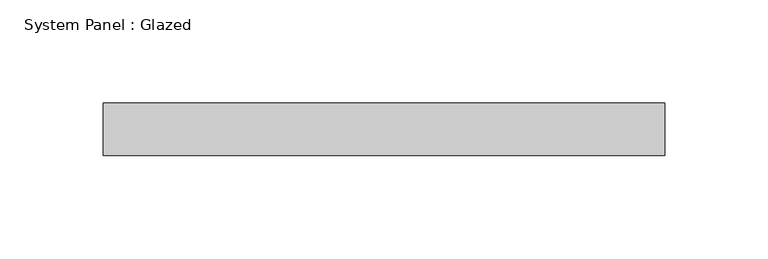
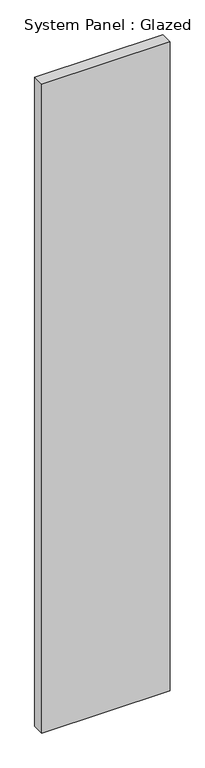
"""IFC4 building model written with IfcOpenShell, lengths in millimetres: plate geometry, System Panel : Glazed."""

from ifc_helpers import new_model, si_unit, origin, origin_with_axes, place, context, project, spatial, polyline, outline, extrude, source, transform, mapped, element, save


def system_panel_glazed_fad9b578(model_context):
    return source(origin(), model_context, "Body", "SweptSolid", [
        extrude(outline(polyline([(135.9958333, -12.7), (-135.9958333, -12.7), (-135.9958333, 12.7), (135.9958333, 12.7), (135.9958333, -12.7)])), origin_with_axes(), (0.0, 0.0, 1.0), 1454.15),
    ])


if __name__ == "__main__":
    model = new_model("IFC4")
    model_context = context("Model", 3, world=origin())
    ifc_project = project(units=[si_unit("LENGTHUNIT", "METRE", prefix="MILLI")], contexts=[model_context])
    site = spatial("IfcSite", under=ifc_project)
    building = spatial("IfcBuilding", under=site)
    placement = place(None, origin())
    system_panel_glazed_shape = system_panel_glazed_fad9b578(model_context)
    element("IfcPlate", 1, ObjectType="System Panel : Glazed", at=placement, inside=building, context=model_context, shape_type="MappedRepresentation", body=[
        mapped(system_panel_glazed_shape, transform((0.0, 0.0, 0.0), x_axis=(1.0, 0.0, 0.0), y_axis=(0.0, 1.0, 0.0), z_axis=(0.0, 0.0, 1.0))),
    ])
    save(model, "model.ifc")
